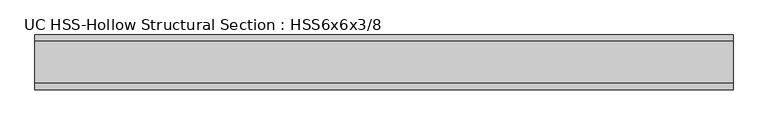
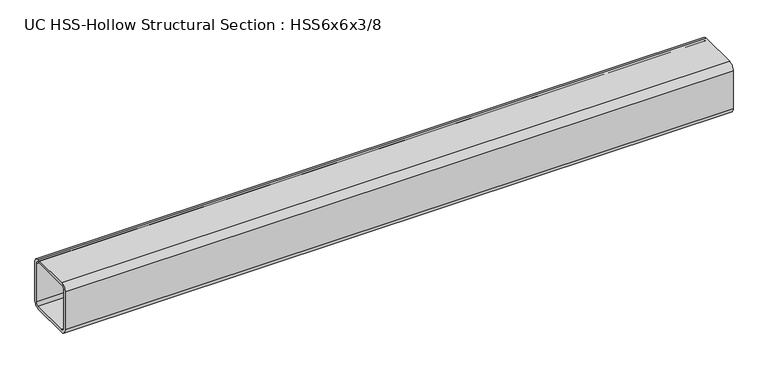
"""IFC4 building model written with IfcOpenShell, lengths in millimetres: beam geometry, UC HSS-Hollow Structural Section : HSS6x6x3/8."""

import ifcopenshell
import ifcopenshell.guid

model = None  # the IFC model being written
_history = None  # IfcOwnerHistory: only IFC2X3 demands one
_inside = {}  # id of a spatial element -> (the spatial element, [elements in it])
_under = {}  # id of a project, library or spatial element -> (it, [spatial elements below it])
_declared = {}  # id of a project -> (the project, [libraries it declares])
_typed = {}  # id of a type object -> (the type object, [elements of that type])
_made_of = {}  # id of a material, layer set ... -> (it, [elements and type objects made of it])


def new_model(schema):
    """Start an empty IFC model of exactly this schema.

    Asked for "IFC4X3", IfcOpenShell would pick the latest addendum, in which some entities
    have other attributes; the version numbers below select the first issue.
    IFC2X3 requires an IfcOwnerHistory on every rooted entity: one is made here for all.
    """
    global model, _history
    if schema == "IFC4X3":
        model = ifcopenshell.file(schema_version=(4, 3, 0, 0))
    else:
        model = ifcopenshell.file(schema=schema)
    _inside.clear()
    _under.clear()
    _declared.clear()
    _typed.clear()
    _made_of.clear()
    _history = None
    if model.schema == "IFC2X3":
        org = make("IfcOrganization", Name="unknown")
        user = make(
            "IfcPersonAndOrganization",
            ThePerson=make("IfcPerson", FamilyName="unknown"),
            TheOrganization=org,
        )
        app = make(
            "IfcApplication",
            ApplicationDeveloper=org,
            Version="unknown",
            ApplicationFullName="unknown",
            ApplicationIdentifier="unknown",
        )
        _history = make(
            "IfcOwnerHistory",
            OwningUser=user,
            OwningApplication=app,
            ChangeAction="ADDED",
            CreationDate=0,
        )
    return model


def make(cls, **values):
    """One entity of the class cls with the attributes given. An attribute that is None is left unset."""
    return model.create_entity(
        cls, **{name: value for name, value in values.items() if value is not None}
    )


def rooted(cls, **values):
    """An entity with a GlobalId (a new one), such as an element, a storey or a relation."""
    return make(cls, GlobalId=ifcopenshell.guid.new(), OwnerHistory=_history, **values)


def si_unit(unit_type, name, prefix=None):
    """IfcSIUnit, for example si_unit("LENGTHUNIT", "METRE", prefix="MILLI")."""
    return make("IfcSIUnit", UnitType=unit_type, Prefix=prefix, Name=name)


def assignment(units):
    """IfcUnitAssignment: the units of a project."""
    return None if units is None else make("IfcUnitAssignment", Units=units)


def point(xyz):
    """IfcCartesianPoint."""
    return None if xyz is None else make("IfcCartesianPoint", Coordinates=xyz)


def direction(xyz):
    """IfcDirection."""
    return None if xyz is None else make("IfcDirection", DirectionRatios=xyz)


def frame(location, z_axis=None, x_axis=None):
    """IfcAxis2Placement3D, a coordinate frame: its origin and axes. An axis left out is left unset."""
    return make(
        "IfcAxis2Placement3D",
        Location=point(location),
        Axis=direction(z_axis),
        RefDirection=direction(x_axis),
    )


def frame_2d(location, x_axis=None):
    """IfcAxis2Placement2D, a coordinate frame in the plane: its origin and x axis."""
    return make(
        "IfcAxis2Placement2D", Location=point(location), RefDirection=direction(x_axis)
    )


def origin():
    """The frame at (0, 0, 0) with its axes left unset."""
    return frame((0.0, 0.0, 0.0))


def place(relative_to, where):
    """IfcLocalPlacement: puts the frame where relative to a parent placement (None: the world)."""
    return make(
        "IfcLocalPlacement", PlacementRelTo=relative_to, RelativePlacement=where
    )


def context(
    kind, dimensions, precision=None, world=None, true_north=None, identifier=None
):
    """IfcGeometricRepresentationContext, for example the 3D "Model" context."""
    return make(
        "IfcGeometricRepresentationContext",
        ContextIdentifier=identifier,
        ContextType=kind,
        CoordinateSpaceDimension=dimensions,
        Precision=precision,
        WorldCoordinateSystem=world,
        TrueNorth=true_north,
    )


def project(units=None, contexts=None):
    """IfcProject with its units and contexts."""
    return rooted(
        "IfcProject",
        Name="project",
        RepresentationContexts=contexts,
        UnitsInContext=assignment(units),
    )


def spatial(cls, under=None, at=None, **own):
    """A site, building, storey or space (cls), placed at a placement, below another one or the project."""
    s = rooted(cls, ObjectPlacement=at, **own)
    if under is not None:
        _under.setdefault(under.id(), (under, []))[1].append(s)
    return s


def polyline(points):
    """IfcPolyline through the points."""
    return make("IfcPolyline", Points=[point(p) for p in points])


def circle_curve(where, radius):
    """IfcCircle in the frame where."""
    return make("IfcCircle", Position=where, Radius=radius)


def trimmed(basis, trim1, trim2, sense, master):
    """IfcTrimmedCurve: the piece of a basis curve between two trims."""
    return make(
        "IfcTrimmedCurve",
        BasisCurve=basis,
        Trim1=trim1,
        Trim2=trim2,
        SenseAgreement=sense,
        MasterRepresentation=master,
    )


def segment(curve, same_sense, transition):
    """IfcCompositeCurveSegment."""
    return make(
        "IfcCompositeCurveSegment",
        Transition=transition,
        SameSense=same_sense,
        ParentCurve=curve,
    )


def composite_curve(segments, self_intersect=None):
    """IfcCompositeCurve: segments joined end to end."""
    return make("IfcCompositeCurve", Segments=segments, SelfIntersect=self_intersect)


def outline(outer, holes=None, kind="AREA"):
    """IfcArbitraryClosedProfileDef: a profile drawn as a closed curve; with holes, ...WithVoids."""
    if holes is None:
        return make("IfcArbitraryClosedProfileDef", ProfileType=kind, OuterCurve=outer)
    return make(
        "IfcArbitraryProfileDefWithVoids",
        ProfileType=kind,
        OuterCurve=outer,
        InnerCurves=holes,
    )


def extrude(swept, where, along, depth):
    """IfcExtrudedAreaSolid: the profile swept, set in the frame where, extruded along a direction by depth."""
    return make(
        "IfcExtrudedAreaSolid",
        SweptArea=swept,
        Position=where,
        ExtrudedDirection=direction(along),
        Depth=depth,
    )


def shape(context_of_items, identifier, shape_type, items):
    """IfcShapeRepresentation: the items that make up one representation, for example the "Body"."""
    return make(
        "IfcShapeRepresentation",
        ContextOfItems=context_of_items,
        RepresentationIdentifier=identifier,
        RepresentationType=shape_type,
        Items=items,
    )


def source(mapping_origin, context_of_items, identifier, shape_type, items):
    """IfcRepresentationMap: a shape defined once, which mapped items show again and again."""
    return make(
        "IfcRepresentationMap",
        MappingOrigin=mapping_origin,
        MappedRepresentation=shape(context_of_items, identifier, shape_type, items),
    )


def transform(
    local_origin,
    x_axis=None,
    y_axis=None,
    z_axis=None,
    scale=None,
    scale2=None,
    scale3=None,
    uniform=True,
):
    """IfcCartesianTransformationOperator3D, or its non-uniform kind. x_axis, y_axis, z_axis: its Axis1, 2, 3."""
    if uniform:
        return make(
            "IfcCartesianTransformationOperator3D",
            Axis1=direction(x_axis),
            Axis2=direction(y_axis),
            LocalOrigin=point(local_origin),
            Scale=scale,
            Axis3=direction(z_axis),
        )
    return make(
        "IfcCartesianTransformationOperator3DnonUniform",
        Axis1=direction(x_axis),
        Axis2=direction(y_axis),
        LocalOrigin=point(local_origin),
        Scale=scale,
        Axis3=direction(z_axis),
        Scale2=scale2,
        Scale3=scale3,
    )


def mapped(mapping_source, mapping_target):
    """IfcMappedItem: shows the shape of a source again, moved by a transform."""
    return make(
        "IfcMappedItem", MappingSource=mapping_source, MappingTarget=mapping_target
    )


def made_of(thing, what):
    """Note that an element or type object is made of a material, layer set ...; save() writes the relation."""
    if what is not None:
        _made_of.setdefault(what.id(), (what, []))[1].append(thing)
    return thing


def element(
    cls,
    number,
    at=None,
    inside=None,
    cuts=None,
    type_object=None,
    material=None,
    context=None,
    identifier="Body",
    shape_type=None,
    held_by="IfcProductDefinitionShape",
    body=None,
    shapes=None,
    **own,
):
    """One element of the class cls, such as IfcWall. Its Tag is "e" and its number.

    at: its placement. inside: the storey or other place that contains it. cuts: it is an
    opening in that element (IfcRelVoidsElement). A single representation is given by context,
    identifier, shape_type and body (its items); several are given by shapes. held_by: the class
    of the entity that holds the representations. save() writes the other relations.
    """
    e = rooted(cls, Tag="e%d" % number, ObjectPlacement=at, **own)
    if body is not None:
        shapes = [shape(context, identifier, shape_type, body)]
    if shapes is not None:
        e.Representation = make(held_by, Representations=shapes)
    if inside is not None:
        _inside.setdefault(inside.id(), (inside, []))[1].append(e)
    if cuts is not None:
        rooted(
            "IfcRelVoidsElement", RelatingBuildingElement=cuts, RelatedOpeningElement=e
        )
    if type_object is not None:
        _typed.setdefault(type_object.id(), (type_object, []))[1].append(e)
    return made_of(e, material)


def aggregate(whole, parts):
    """IfcRelAggregates: a whole, such as a stair, and the parts it consists of."""
    return rooted("IfcRelAggregates", RelatingObject=whole, RelatedObjects=parts)


def save(model, path):
    """Write the relations noted so far, then the file.

    IfcRelAggregates (storeys below a building ...), IfcRelContainedInSpatialStructure (elements
    in a storey), IfcRelDefinesByType, IfcRelAssociatesMaterial and IfcRelDeclares: one each for
    every whole, place, type object, material and project.
    """
    for whole, parts in _under.values():
        aggregate(whole, parts)
    for where, things in _inside.values():
        rooted(
            "IfcRelContainedInSpatialStructure",
            RelatedElements=things,
            RelatingStructure=where,
        )
    for kind, things in _typed.values():
        rooted("IfcRelDefinesByType", RelatedObjects=things, RelatingType=kind)
    for what, things in _made_of.values():
        rooted("IfcRelAssociatesMaterial", RelatedObjects=things, RelatingMaterial=what)
    for by, libraries in _declared.values():
        rooted("IfcRelDeclares", RelatingContext=by, RelatedDefinitions=libraries)
    model.write(path)


def uc_hss_hollow_structural_section_hss6x6x3_8_de30d17d(model_context):
    return source(origin(), model_context, "Body", "SweptSolid", [
        extrude(outline(composite_curve([segment(trimmed(circle_curve(frame_2d((-58.4708, 58.4708)), 17.7292), [point((-76.2, 58.4708))], [point((-58.4708, 76.2))], False, "CARTESIAN"), True, "CONTINUOUS"), segment(polyline([(-58.4708, 76.2), (58.4708, 76.2)]), True, "CONTINUOUS"), segment(trimmed(circle_curve(frame_2d((58.4708, 58.4708)), 17.7292), [point((58.4708, 76.2))], [point((76.2, 58.4708))], False, "CARTESIAN"), True, "CONTINUOUS"), segment(polyline([(76.2, 58.4708), (76.2, -58.4708)]), True, "CONTINUOUS"), segment(trimmed(circle_curve(frame_2d((58.4708, -58.4708)), 17.7292), [point((76.2, -58.4708))], [point((58.4708, -76.2))], False, "CARTESIAN"), True, "CONTINUOUS"), segment(polyline([(58.4708, -76.2), (-58.4708, -76.2)]), True, "CONTINUOUS"), segment(trimmed(circle_curve(frame_2d((-58.4708, -58.4708)), 17.7292), [point((-58.4708, -76.2))], [point((-76.2, -58.4708))], False, "CARTESIAN"), True, "CONTINUOUS"), segment(polyline([(-76.2, -58.4708), (-76.2, 58.4708)]), True, "CONTINUOUS")], self_intersect=False), holes=[composite_curve([segment(polyline([(58.4708, 67.3354), (-58.4708, 67.3354)]), True, "CONTINUOUS"), segment(trimmed(circle_curve(frame_2d((-58.4708, 58.4708)), 8.8646), [point((-58.4708, 67.3354))], [point((-67.3354, 58.4708))], True, "CARTESIAN"), True, "CONTINUOUS"), segment(polyline([(-67.3354, 58.4708), (-67.3354, -58.4708)]), True, "CONTINUOUS"), segment(trimmed(circle_curve(frame_2d((-58.4708, -58.4708)), 8.8646), [point((-67.3354, -58.4708))], [point((-58.4708, -67.3354))], True, "CARTESIAN"), True, "CONTINUOUS"), segment(polyline([(-58.4708, -67.3354), (58.4708, -67.3354)]), True, "CONTINUOUS"), segment(trimmed(circle_curve(frame_2d((58.4708, -58.4708)), 8.8646), [point((58.4708, -67.3354))], [point((67.3354, -58.4708))], True, "CARTESIAN"), True, "CONTINUOUS"), segment(polyline([(67.3354, -58.4708), (67.3354, 58.4708)]), True, "CONTINUOUS"), segment(trimmed(circle_curve(frame_2d((58.4708, 58.4708)), 8.8646), [point((67.3354, 58.4708))], [point((58.4708, 67.3354))], True, "CARTESIAN"), True, "CONTINUOUS")], self_intersect=False)]), frame((-901.6127543, 0.0, 0.0), z_axis=(1.0, 0.0, 0.0), x_axis=(0.0, 1.0, 0.0)), (0.0, 0.0, 1.0), 1943.0338854),
    ])


if __name__ == "__main__":
    model = new_model("IFC4")
    model_context = context("Model", 3, world=origin())
    ifc_project = project(units=[si_unit("LENGTHUNIT", "METRE", prefix="MILLI")], contexts=[model_context])
    site = spatial("IfcSite", under=ifc_project)
    building = spatial("IfcBuilding", under=site)
    placement = place(None, origin())
    uc_hss_hollow_structural_section_hss6x6x3_8_shape = uc_hss_hollow_structural_section_hss6x6x3_8_de30d17d(model_context)
    element("IfcBeam", 1, ObjectType="UC HSS-Hollow Structural Section : HSS6x6x3/8", at=placement, inside=building, context=model_context, shape_type="MappedRepresentation", body=[
        mapped(uc_hss_hollow_structural_section_hss6x6x3_8_shape, transform((0.0, 0.0, 0.0), x_axis=(1.0, 0.0, 0.0), y_axis=(0.0, 1.0, 0.0), z_axis=(0.0, 0.0, 1.0))),
    ])
    save(model, "model.ifc")
